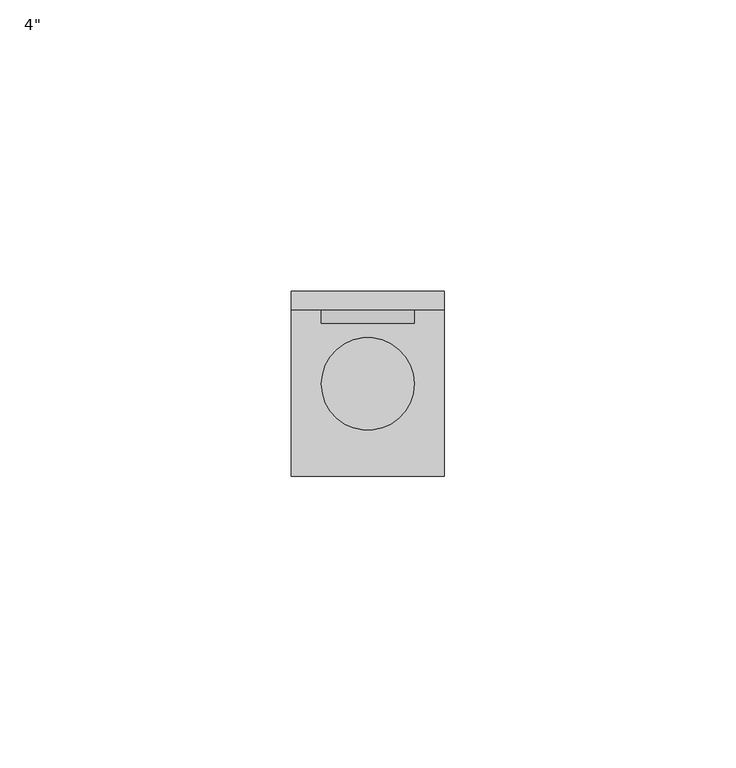
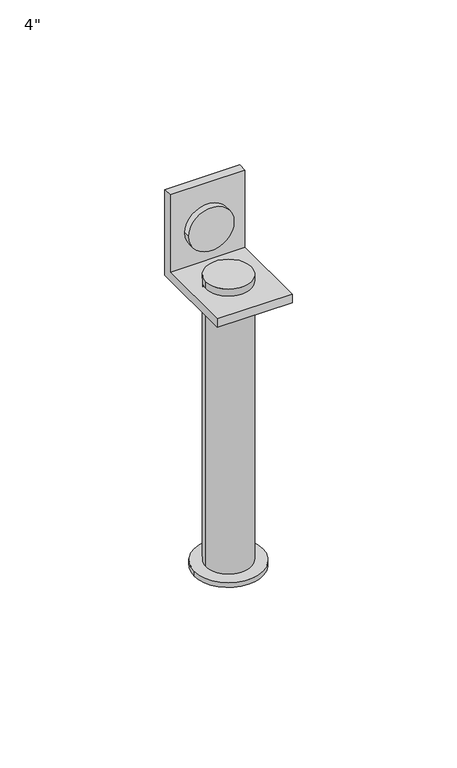
"""IFC4 building model written with IfcOpenShell, lengths in millimetres: proxy geometry."""

from ifc_helpers import new_model, si_unit, point, frame, frame_2d, origin, origin_with_axes, place, context, project, spatial, polyline, circle_curve, trimmed, segment, composite_curve, outline, extrude, source, transform, mapped, element, save


def proxy_c7c379cd(model_context):
    return source(origin(), model_context, "Body", "SweptSolid", [
        extrude(outline(composite_curve([segment(trimmed(circle_curve(frame_2d((13.1, 0.0)), 12.0), [point((1.1, 0.0))], [point((25.1, 0.0))], False, "CARTESIAN"), True, "CONTINUOUS"), segment(trimmed(circle_curve(frame_2d((13.1, 0.0)), 12.0), [point((25.1, 0.0))], [point((1.1, 0.0))], False, "CARTESIAN"), True, "CONTINUOUS")], self_intersect=False)), frame((0.0, 0.0, -1.75), z_axis=(0.0, 0.0, 1.0), x_axis=(1.0, 0.0, 0.0)), (0.0, 0.0, 1.0), 1.75),
        extrude(outline(composite_curve([segment(trimmed(circle_curve(frame_2d((116.175, 13.1)), 7.938), [point((116.175, 5.162))], [point((116.175, 21.038))], False, "CARTESIAN"), True, "CONTINUOUS"), segment(trimmed(circle_curve(frame_2d((116.175, 13.1)), 7.938), [point((116.175, 21.038))], [point((116.175, 5.162))], False, "CARTESIAN"), True, "CONTINUOUS")], self_intersect=False)), frame((0.0, 10.3999746, 0.0), z_axis=(0.0, 1.0, 0.0), x_axis=(0.0, 0.0, 1.0)), (0.0, 0.0, 1.0), 2.3),
        extrude(outline(composite_curve([segment(trimmed(circle_curve(frame_2d((13.1, 0.0)), 7.9375), [point((5.1625, 0.0))], [point((21.0375, 0.0))], False, "CARTESIAN"), True, "CONTINUOUS"), segment(trimmed(circle_curve(frame_2d((13.1, 0.0)), 7.9375), [point((21.0375, 0.0))], [point((5.1625, 0.0))], False, "CARTESIAN"), True, "CONTINUOUS")], self_intersect=False)), origin_with_axes(), (0.0, 0.0, 1.0), 105.8),
        extrude(outline(polyline([(12.6999746, 103.474994), (12.6999746, 132.05), (15.8749682, 132.05), (15.8749682, 100.3), (-15.8749682, 100.3), (-15.8749682, 103.474994), (12.6999746, 103.474994)])), frame((0.0, 0.0, 0.0), z_axis=(1.0, 0.0, 0.0), x_axis=(0.0, 1.0, 0.0)), (0.0, 0.0, 1.0), 26.2),
    ])


if __name__ == "__main__":
    model = new_model("IFC4")
    model_context = context("Model", 3, world=origin())
    ifc_project = project(units=[si_unit("LENGTHUNIT", "METRE", prefix="MILLI")], contexts=[model_context])
    site = spatial("IfcSite", under=ifc_project)
    building = spatial("IfcBuilding", under=site)
    placement = place(None, origin())
    proxy_shape = proxy_c7c379cd(model_context)
    element("IfcBuildingElementProxy", 1, Name="4\"", ObjectType="4\"", at=placement, inside=building, context=model_context, shape_type="MappedRepresentation", body=[
        mapped(proxy_shape, transform((0.0, 0.0, 0.0), x_axis=(1.0, 0.0, 0.0), y_axis=(0.0, 1.0, 0.0), z_axis=(0.0, 0.0, 1.0))),
    ])
    save(model, "model.ifc")
